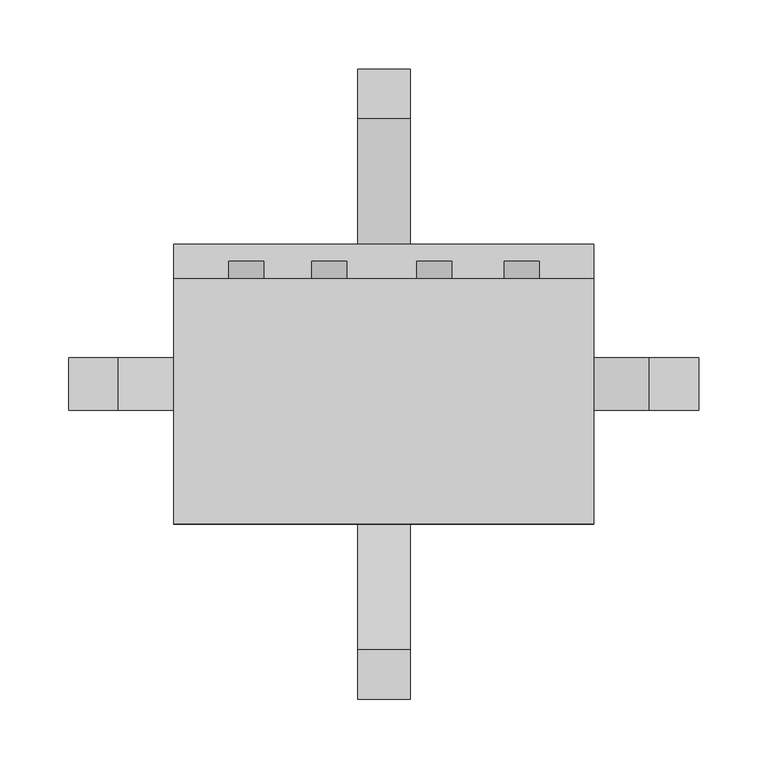
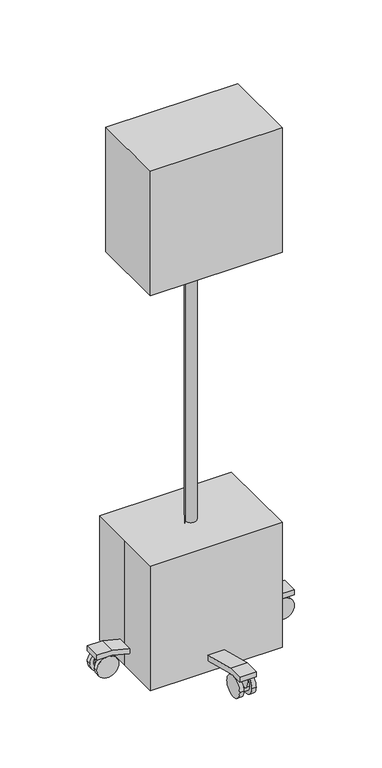
"""IFC4 building model written with IfcOpenShell, lengths in millimetres: proxy geometry."""

from ifc_helpers import new_model, si_unit, point, frame, frame_2d, origin, origin_with_axes, place, context, project, spatial, polyline, circle_curve, trimmed, segment, composite_curve, outline, extrude, faceted_brep, source, transform, mapped, element, save


def specialty_equipment_cbaab339(model_context):
    return source(origin(), model_context, "Body", "SolidModel", [
        extrude(outline(composite_curve([segment(trimmed(circle_curve(frame_2d((-203.0677083, 25.4)), 25.4), [point((-228.4677083, 25.4))], [point((-177.6677083, 25.4))], False, "CARTESIAN"), True, "CONTINUOUS"), segment(trimmed(circle_curve(frame_2d((-203.0677083, 25.4)), 25.4), [point((-177.6677083, 25.4))], [point((-228.4677083, 25.4))], False, "CARTESIAN"), True, "CONTINUOUS")], self_intersect=False)), frame((9.4354799, 0.0, 0.0), z_axis=(1.0, 0.0, 0.0), x_axis=(0.0, 1.0, 0.0)), (0.0, 0.0, 1.0), 9.525),
        extrude(outline(composite_curve([segment(trimmed(circle_curve(frame_2d((-203.0677083, 25.4)), 25.4), [point((-177.6677083, 25.4))], [point((-228.4677083, 25.4))], False, "CARTESIAN"), True, "CONTINUOUS"), segment(trimmed(circle_curve(frame_2d((-203.0677083, 25.4)), 25.4), [point((-228.4677083, 25.4))], [point((-177.6677083, 25.4))], False, "CARTESIAN"), True, "CONTINUOUS")], self_intersect=False)), frame((-19.1395201, 0.0, 0.0), z_axis=(1.0, 0.0, 0.0), x_axis=(0.0, 1.0, 0.0)), (0.0, 0.0, 1.0), 9.525),
        extrude(outline(composite_curve([segment(trimmed(circle_curve(frame_2d((25.4, 203.1766257)), 25.4), [point((25.4, 228.5766257))], [point((25.4, 177.7766257))], False, "CARTESIAN"), True, "CONTINUOUS"), segment(trimmed(circle_curve(frame_2d((25.4, 203.1766257)), 25.4), [point((25.4, 177.7766257))], [point((25.4, 228.5766257))], False, "CARTESIAN"), True, "CONTINUOUS")], self_intersect=False)), frame((0.0, 9.525, 0.0), z_axis=(0.0, 1.0, 0.0), x_axis=(0.0, 0.0, 1.0)), (0.0, 0.0, 1.0), 9.525),
        extrude(outline(composite_curve([segment(trimmed(circle_curve(frame_2d((25.4, 203.1766257)), 25.4), [point((25.4, 177.7766257))], [point((25.4, 228.5766257))], False, "CARTESIAN"), True, "CONTINUOUS"), segment(trimmed(circle_curve(frame_2d((25.4, 203.1766257)), 25.4), [point((25.4, 228.5766257))], [point((25.4, 177.7766257))], False, "CARTESIAN"), True, "CONTINUOUS")], self_intersect=False)), frame((0.0, -19.05, 0.0), z_axis=(0.0, 1.0, 0.0), x_axis=(0.0, 0.0, 1.0)), (0.0, 0.0, 1.0), 9.525),
        extrude(outline(composite_curve([segment(trimmed(circle_curve(frame_2d((25.4, -203.1572284)), 25.4), [point((25.4, -177.7572284))], [point((25.4, -228.5572284))], False, "CARTESIAN"), True, "CONTINUOUS"), segment(trimmed(circle_curve(frame_2d((25.4, -203.1572284)), 25.4), [point((25.4, -228.5572284))], [point((25.4, -177.7572284))], False, "CARTESIAN"), True, "CONTINUOUS")], self_intersect=False)), frame((0.0, -19.05, 0.0), z_axis=(0.0, 1.0, 0.0), x_axis=(0.0, 0.0, 1.0)), (0.0, 0.0, 1.0), 9.525),
        extrude(outline(composite_curve([segment(trimmed(circle_curve(frame_2d((25.4, -203.1572284)), 25.4), [point((25.4, -177.7572284))], [point((25.4, -228.5572284))], False, "CARTESIAN"), True, "CONTINUOUS"), segment(trimmed(circle_curve(frame_2d((25.4, -203.1572284)), 25.4), [point((25.4, -228.5572284))], [point((25.4, -177.7572284))], False, "CARTESIAN"), True, "CONTINUOUS")], self_intersect=False)), frame((0.0, 9.525, 0.0), z_axis=(0.0, 1.0, 0.0), x_axis=(0.0, 0.0, 1.0)), (0.0, 0.0, 1.0), 9.525),
        extrude(outline(composite_curve([segment(trimmed(circle_curve(frame_2d((203.2165365, 25.4)), 25.4), [point((177.8165365, 25.4))], [point((228.6165365, 25.4))], False, "CARTESIAN"), True, "CONTINUOUS"), segment(trimmed(circle_curve(frame_2d((203.2165365, 25.4)), 25.4), [point((228.6165365, 25.4))], [point((177.8165365, 25.4))], False, "CARTESIAN"), True, "CONTINUOUS")], self_intersect=False)), frame((-19.1395201, 0.0, 0.0), z_axis=(1.0, 0.0, 0.0), x_axis=(0.0, 1.0, 0.0)), (0.0, 0.0, 1.0), 9.525),
        extrude(outline(composite_curve([segment(trimmed(circle_curve(frame_2d((203.2165365, 25.4)), 25.4), [point((177.8165365, 25.4))], [point((228.6165365, 25.4))], False, "CARTESIAN"), True, "CONTINUOUS"), segment(trimmed(circle_curve(frame_2d((203.2165365, 25.4)), 25.4), [point((228.6165365, 25.4))], [point((177.8165365, 25.4))], False, "CARTESIAN"), True, "CONTINUOUS")], self_intersect=False)), frame((9.4354799, 0.0, 0.0), z_axis=(1.0, 0.0, 0.0), x_axis=(0.0, 1.0, 0.0)), (0.0, 0.0, 1.0), 9.525),
        extrude(outline(composite_curve([segment(trimmed(circle_curve(frame_2d((-0.0895201, -211.534375)), 8.4666667), [point((-8.5561868, -211.534375))], [point((8.3771466, -211.534375))], False, "CARTESIAN"), True, "CONTINUOUS"), segment(trimmed(circle_curve(frame_2d((-0.0895201, -211.534375)), 8.4666667), [point((8.3771466, -211.534375))], [point((-8.5561868, -211.534375))], False, "CARTESIAN"), True, "CONTINUOUS")], self_intersect=False)), frame((0.0, 0.0, 25.4), z_axis=(0.0, 0.0, 1.0), x_axis=(1.0, 0.0, 0.0)), (0.0, 0.0, 1.0), 25.4),
        extrude(outline(composite_curve([segment(trimmed(circle_curve(frame_2d((-203.0677083, 25.4)), 16.9333333), [point((-186.134375, 25.4))], [point((-220.0010417, 25.4))], False, "CARTESIAN"), True, "CONTINUOUS"), segment(trimmed(circle_curve(frame_2d((-203.0677083, 25.4)), 16.9333333), [point((-220.0010417, 25.4))], [point((-186.134375, 25.4))], False, "CARTESIAN"), True, "CONTINUOUS")], self_intersect=False)), frame((-9.6145201, 0.0, 0.0), z_axis=(1.0, 0.0, 0.0), x_axis=(0.0, 1.0, 0.0)), (0.0, 0.0, 1.0), 19.05),
        extrude(outline(composite_curve([segment(trimmed(circle_curve(frame_2d((211.6432924, 0.0)), 8.4666667), [point((211.6432924, -8.4666667))], [point((211.6432924, 8.4666667))], False, "CARTESIAN"), True, "CONTINUOUS"), segment(trimmed(circle_curve(frame_2d((211.6432924, 0.0)), 8.4666667), [point((211.6432924, 8.4666667))], [point((211.6432924, -8.4666667))], False, "CARTESIAN"), True, "CONTINUOUS")], self_intersect=False)), frame((0.0, 0.0, 25.4), z_axis=(0.0, 0.0, 1.0), x_axis=(1.0, 0.0, 0.0)), (0.0, 0.0, 1.0), 25.4),
        extrude(outline(composite_curve([segment(trimmed(circle_curve(frame_2d((25.4, 203.1766257)), 16.9333333), [point((25.4, 186.2432924))], [point((25.4, 220.1099591))], False, "CARTESIAN"), True, "CONTINUOUS"), segment(trimmed(circle_curve(frame_2d((25.4, 203.1766257)), 16.9333333), [point((25.4, 220.1099591))], [point((25.4, 186.2432924))], False, "CARTESIAN"), True, "CONTINUOUS")], self_intersect=False)), frame((0.0, -9.525, 0.0), z_axis=(0.0, 1.0, 0.0), x_axis=(0.0, 0.0, 1.0)), (0.0, 0.0, 1.0), 19.05),
        extrude(outline(composite_curve([segment(trimmed(circle_curve(frame_2d((-211.6238951, 0.0)), 8.4666667), [point((-211.6238951, 8.4666667))], [point((-211.6238951, -8.4666667))], False, "CARTESIAN"), True, "CONTINUOUS"), segment(trimmed(circle_curve(frame_2d((-211.6238951, 0.0)), 8.4666667), [point((-211.6238951, -8.4666667))], [point((-211.6238951, 8.4666667))], False, "CARTESIAN"), True, "CONTINUOUS")], self_intersect=False)), frame((0.0, 0.0, 25.4), z_axis=(0.0, 0.0, 1.0), x_axis=(1.0, 0.0, 0.0)), (0.0, 0.0, 1.0), 25.4),
        extrude(outline(composite_curve([segment(trimmed(circle_curve(frame_2d((25.4, -203.1572284)), 16.9333333), [point((25.4, -186.2238951))], [point((25.4, -220.0905618))], False, "CARTESIAN"), True, "CONTINUOUS"), segment(trimmed(circle_curve(frame_2d((25.4, -203.1572284)), 16.9333333), [point((25.4, -220.0905618))], [point((25.4, -186.2238951))], False, "CARTESIAN"), True, "CONTINUOUS")], self_intersect=False)), frame((0.0, -9.525, 0.0), z_axis=(0.0, 1.0, 0.0), x_axis=(0.0, 0.0, 1.0)), (0.0, 0.0, 1.0), 19.05),
        extrude(outline(composite_curve([segment(trimmed(circle_curve(frame_2d((-0.0895201, 211.6832031)), 8.4666667), [point((8.3771466, 211.6832031))], [point((-8.5561868, 211.6832031))], False, "CARTESIAN"), True, "CONTINUOUS"), segment(trimmed(circle_curve(frame_2d((-0.0895201, 211.6832031)), 8.4666667), [point((-8.5561868, 211.6832031))], [point((8.3771466, 211.6832031))], False, "CARTESIAN"), True, "CONTINUOUS")], self_intersect=False)), frame((0.0, 0.0, 25.4), z_axis=(0.0, 0.0, 1.0), x_axis=(1.0, 0.0, 0.0)), (0.0, 0.0, 1.0), 25.4),
        extrude(outline(composite_curve([segment(trimmed(circle_curve(frame_2d((203.2165365, 25.4)), 16.9333333), [point((186.2832031, 25.4))], [point((220.1498698, 25.4))], False, "CARTESIAN"), True, "CONTINUOUS"), segment(trimmed(circle_curve(frame_2d((203.2165365, 25.4)), 16.9333333), [point((220.1498698, 25.4))], [point((186.2832031, 25.4))], False, "CARTESIAN"), True, "CONTINUOUS")], self_intersect=False)), frame((-9.6145201, 0.0, 0.0), z_axis=(1.0, 0.0, 0.0), x_axis=(0.0, 1.0, 0.0)), (0.0, 0.0, 1.0), 19.05),
        extrude(outline(polyline([(228.6, 63.5), (228.6, 50.8), (193.8216772, 50.8), (45.6550105, 12.7), (-45.6550105, 12.7), (-193.8216772, 50.8), (-228.6, 50.8), (-228.6, 63.5), (-192.6166667, 63.5), (-44.45, 25.4), (44.45, 25.4), (192.6166667, 63.5), (228.6, 63.5)])), frame((-19.1395201, 0.0, 0.0), z_axis=(1.0, 0.0, 0.0), x_axis=(0.0, 1.0, 0.0)), (0.0, 0.0, 1.0), 38.1),
        extrude(outline(composite_curve([segment(trimmed(circle_curve(frame_2d((-0.0895201, 0.0)), 12.7), [point((-12.7895201, 0.0))], [point((12.6104799, 0.0))], False, "CARTESIAN"), True, "CONTINUOUS"), segment(trimmed(circle_curve(frame_2d((-0.0895201, 0.0)), 12.7), [point((12.6104799, 0.0))], [point((-12.7895201, 0.0))], False, "CARTESIAN"), True, "CONTINUOUS")], self_intersect=False)), frame((0.0, 0.0, 12.7), z_axis=(0.0, 0.0, 1.0), x_axis=(1.0, 0.0, 0.0)), (0.0, 0.0, 1.0), 952.5),
        extrude(outline(polyline([(63.5, -228.6895201), (50.8, -228.6895201), (50.8, -193.9111973), (12.7, -45.7445306), (12.7, 45.5654904), (50.8, 193.7321571), (50.8, 228.5104799), (63.5, 228.5104799), (63.5, 192.5271466), (25.4, 44.3604799), (25.4, -44.5395201), (63.5, -192.7061868), (63.5, -228.6895201)])), frame((0.0, -19.05, 0.0), z_axis=(0.0, 1.0, 0.0), x_axis=(0.0, 0.0, 1.0)), (0.0, 0.0, 1.0), 38.1),
        extrude(outline(composite_curve([segment(trimmed(circle_curve(frame_2d((1006.3587525, 100.0366492)), 12.7), [point((1006.3587525, 112.7366492))], [point((1006.3587525, 87.3366492))], False, "CARTESIAN"), True, "CONTINUOUS"), segment(trimmed(circle_curve(frame_2d((1006.3587525, 100.0366492)), 12.7), [point((1006.3587525, 87.3366492))], [point((1006.3587525, 112.7366492))], False, "CARTESIAN"), True, "CONTINUOUS")], self_intersect=False)), frame((0.0, 76.2, 0.0), z_axis=(0.0, 1.0, 0.0), x_axis=(0.0, 0.0, 1.0)), (0.0, 0.0, 1.0), 12.7),
        extrude(outline(composite_curve([segment(trimmed(circle_curve(frame_2d((1006.3587525, -39.7116492)), 12.7), [point((1006.3587525, -52.4116492))], [point((1006.3587525, -27.0116492))], False, "CARTESIAN"), True, "CONTINUOUS"), segment(trimmed(circle_curve(frame_2d((1006.3587525, -39.7116492)), 12.7), [point((1006.3587525, -27.0116492))], [point((1006.3587525, -52.4116492))], False, "CARTESIAN"), True, "CONTINUOUS")], self_intersect=False)), frame((0.0, 76.2, 0.0), z_axis=(0.0, 1.0, 0.0), x_axis=(0.0, 0.0, 1.0)), (0.0, 0.0, 1.0), 12.7),
        extrude(outline(composite_curve([segment(trimmed(circle_curve(frame_2d((1006.3587525, -100.0366492)), 12.7), [point((1006.3587525, -112.7366492))], [point((1006.3587525, -87.3366492))], False, "CARTESIAN"), True, "CONTINUOUS"), segment(trimmed(circle_curve(frame_2d((1006.3587525, -100.0366492)), 12.7), [point((1006.3587525, -87.3366492))], [point((1006.3587525, -112.7366492))], False, "CARTESIAN"), True, "CONTINUOUS")], self_intersect=False)), frame((0.0, 76.2, 0.0), z_axis=(0.0, 1.0, 0.0), x_axis=(0.0, 0.0, 1.0)), (0.0, 0.0, 1.0), 12.7),
        extrude(outline(composite_curve([segment(trimmed(circle_curve(frame_2d((1006.3587525, 36.4883508)), 12.7), [point((1006.3587525, 23.7883508))], [point((1006.3587525, 49.1883508))], False, "CARTESIAN"), True, "CONTINUOUS"), segment(trimmed(circle_curve(frame_2d((1006.3587525, 36.4883508)), 12.7), [point((1006.3587525, 49.1883508))], [point((1006.3587525, 23.7883508))], False, "CARTESIAN"), True, "CONTINUOUS")], self_intersect=False)), frame((0.0, 76.2, 0.0), z_axis=(0.0, 1.0, 0.0), x_axis=(0.0, 0.0, 1.0)), (0.0, 0.0, 1.0), 12.7),
        extrude(outline(polyline([(109.187649, 76.2), (109.187649, 69.85), (-106.712351, 69.85), (-106.712351, 76.2), (109.187649, 76.2)])), frame((0.0, 0.0, 1046.2028485), z_axis=(0.0, 0.0, 1.0), x_axis=(1.0, 0.0, 0.0)), (0.0, 0.0, 1.0), 184.15),
        faceted_brep([(152.4, 76.2, 1270.0), (152.4, 76.2, 965.2), (-152.4, 76.2, 965.2), (-152.4, 76.2, 1270.0), (-106.712351, 76.2, 1230.3528485), (-106.712351, 76.2, 1046.2028485), (109.187649, 76.2, 1046.2028485), (109.187649, 76.2, 1230.3528485), (152.4, -101.6, 1270.0), (-152.4, -101.6, 1270.0), (-152.4, -101.6, 965.2), (152.4, -101.6, 965.2), (109.187649, 63.5, 1230.3528485), (109.187649, 63.5, 1046.2028485), (-106.712351, 63.5, 1046.2028485), (-106.712351, 63.5, 1230.3528485)], [[[0, 1, 2, 3], [4, 5, 6, 7]], [[8, 9, 10, 11]], [[3, 9, 8, 0]], [[2, 10, 9, 3]], [[1, 11, 10, 2]], [[0, 8, 11, 1]], [[12, 13, 14, 15]], [[15, 4, 7, 12]], [[14, 5, 4, 15]], [[13, 6, 5, 14]], [[12, 7, 6, 13]]]),
        extrude(outline(polyline([(-152.4, -101.6), (-152.4, 0.0), (-152.4, 101.6), (152.4, 101.6), (152.4, -101.6), (-152.4, -101.6)])), origin_with_axes(), (0.0, 0.0, 1.0), 304.8),
    ])


if __name__ == "__main__":
    model = new_model("IFC4")
    model_context = context("Model", 3, world=origin())
    ifc_project = project(units=[si_unit("LENGTHUNIT", "METRE", prefix="MILLI")], contexts=[model_context])
    site = spatial("IfcSite", under=ifc_project)
    building = spatial("IfcBuilding", under=site)
    placement = place(None, origin())
    specialty_equipment_shape = specialty_equipment_cbaab339(model_context)
    element("IfcBuildingElementProxy", 1, Name="Specialty Equipment", at=placement, inside=building, context=model_context, shape_type="MappedRepresentation", body=[
        mapped(specialty_equipment_shape, transform((0.0, 0.0, 0.0), x_axis=(1.0, 0.0, 0.0), y_axis=(0.0, 1.0, 0.0), z_axis=(0.0, 0.0, 1.0))),
    ])
    save(model, "model.ifc")
